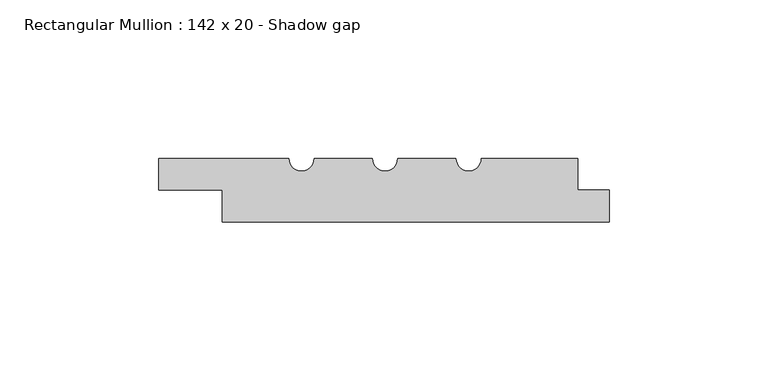
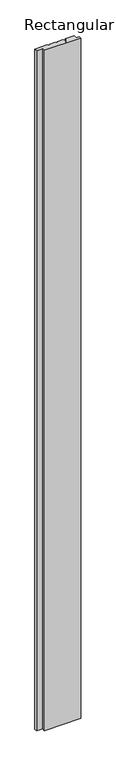
"""IFC4 building model written with IfcOpenShell, lengths in millimetres: member geometry, Rectangular Mullion : 142 x 20 - Shadow gap."""

from ifc_helpers import new_model, si_unit, point, frame, frame_2d, origin, place, context, project, spatial, polyline, circle_curve, trimmed, segment, composite_curve, outline, extrude, source, transform, mapped, element, save


def rectangular_mullion_142_x_20_shadow_gap_77808a0e(model_context):
    return source(origin(), model_context, "Body", "SweptSolid", [
        extrude(outline(composite_curve([segment(polyline([(-40.3418977, 0.0), (-10.0, 0.0), (-10.0, -10.0), (0.0, -10.0), (0.0, -20.0), (-122.0, -20.0), (-122.0, -10.0), (-142.0, -10.0), (-142.0, 0.0), (-101.0, 0.0)]), True, "CONTINUOUS"), segment(trimmed(circle_curve(frame_2d((-97.0, 0.0)), 4.0), [point((-101.0, 0.0))], [point((-93.0, 0.0))], True, "CARTESIAN"), True, "CONTINUOUS"), segment(polyline([(-93.0, 0.0), (-74.6755708, 0.0)]), True, "CONTINUOUS"), segment(trimmed(circle_curve(frame_2d((-70.6755708, 0.0)), 4.0), [point((-74.6755708, 0.0))], [point((-66.6755708, 0.0))], True, "CARTESIAN"), True, "CONTINUOUS"), segment(polyline([(-66.6755708, 0.0), (-48.3418977, 0.0)]), True, "CONTINUOUS"), segment(trimmed(circle_curve(frame_2d((-44.3418977, 0.0)), 4.0), [point((-48.3418977, 0.0))], [point((-40.3418977, 0.0))], True, "CARTESIAN"), True, "CONTINUOUS")], self_intersect=False)), frame((0.0, 0.0, -2400.0), z_axis=(0.0, 0.0, 1.0), x_axis=(1.0, 0.0, 0.0)), (0.0, 0.0, 1.0), 2400.0),
    ])


if __name__ == "__main__":
    model = new_model("IFC4")
    model_context = context("Model", 3, world=origin())
    ifc_project = project(units=[si_unit("LENGTHUNIT", "METRE", prefix="MILLI")], contexts=[model_context])
    site = spatial("IfcSite", under=ifc_project)
    building = spatial("IfcBuilding", under=site)
    placement = place(None, origin())
    rectangular_mullion_142_x_20_shadow_gap_shape = rectangular_mullion_142_x_20_shadow_gap_77808a0e(model_context)
    element("IfcMember", 1, ObjectType="Rectangular Mullion : 142 x 20 - Shadow gap", at=placement, inside=building, context=model_context, shape_type="MappedRepresentation", body=[
        mapped(rectangular_mullion_142_x_20_shadow_gap_shape, transform((0.0, 0.0, 0.0), x_axis=(1.0, 0.0, 0.0), y_axis=(0.0, 1.0, 0.0), z_axis=(0.0, 0.0, 1.0))),
    ])
    save(model, "model.ifc")
